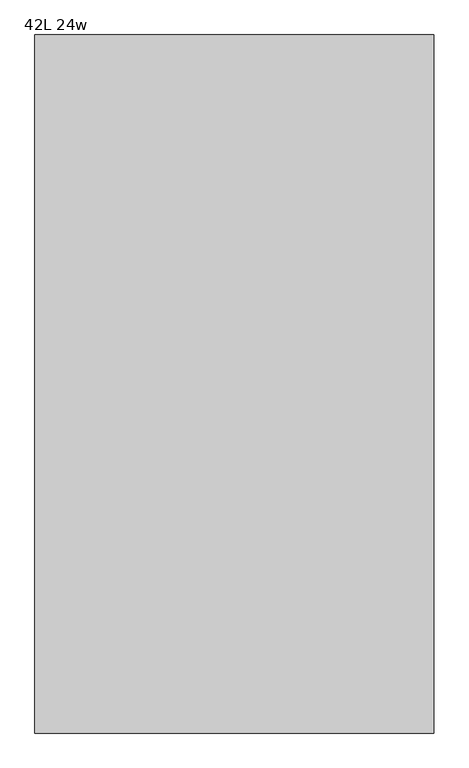
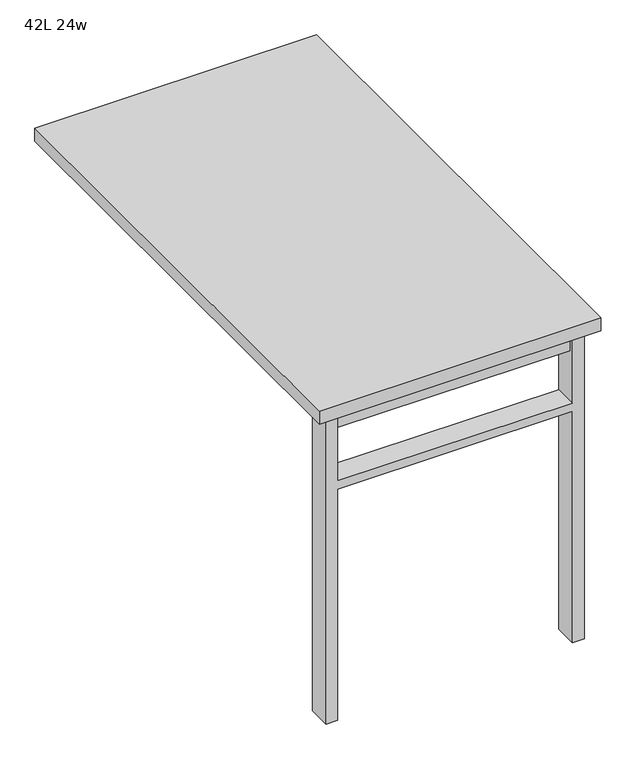
"""IFC4 building model written with IfcOpenShell, lengths in millimetres: furniture geometry, 42L 24w."""

from ifc_helpers import new_model, si_unit, frame, origin, place, context, project, spatial, polyline, outline, extrude, source, transform, mapped, element, save


def furniture_42l_24w_1be6e781(model_context):
    return source(origin(), model_context, "Body", "SweptSolid", [
        extrude(outline(polyline([(-254.0, -473.075), (254.0, -473.075), (254.0, -504.825), (-254.0, -504.825), (-254.0, -473.075)])), frame((0.0, 0.0, 661.9875), z_axis=(0.0, 0.0, 1.0), x_axis=(1.0, 0.0, 0.0)), (0.0, 0.0, 1.0), 44.45),
        extrude(outline(polyline([(528.6375, 254.0), (0.0, 254.0), (0.0, 279.4), (706.4375, 279.4), (706.4375, 254.0), (547.6875, 254.0), (547.6875, -254.0), (706.4375, -254.0), (706.4375, -279.4), (0.0, -279.4), (0.0, -254.0), (528.6375, -254.0), (528.6375, 254.0)])), frame((0.0, -514.35, 0.0), z_axis=(0.0, 1.0, 0.0), x_axis=(0.0, 0.0, 1.0)), (0.0, 0.0, 1.0), 50.8),
        extrude(outline(polyline([(-304.8, -533.4), (-304.8, 533.4), (304.8, 533.4), (304.8, -533.4), (-304.8, -533.4)])), frame((0.0, 0.0, 706.4375), z_axis=(0.0, 0.0, 1.0), x_axis=(1.0, 0.0, 0.0)), (0.0, 0.0, 1.0), 30.1625),
    ])


if __name__ == "__main__":
    model = new_model("IFC4")
    model_context = context("Model", 3, world=origin())
    ifc_project = project(units=[si_unit("LENGTHUNIT", "METRE", prefix="MILLI")], contexts=[model_context])
    site = spatial("IfcSite", under=ifc_project)
    building = spatial("IfcBuilding", under=site)
    placement = place(None, origin())
    furniture_42l_24w_shape = furniture_42l_24w_1be6e781(model_context)
    element("IfcFurniture", 1, ObjectType="42L 24w", at=placement, inside=building, context=model_context, shape_type="MappedRepresentation", body=[
        mapped(furniture_42l_24w_shape, transform((0.0, 0.0, 0.0), x_axis=(1.0, 0.0, 0.0), y_axis=(0.0, 1.0, 0.0), z_axis=(0.0, 0.0, 1.0))),
    ])
    save(model, "model.ifc")
